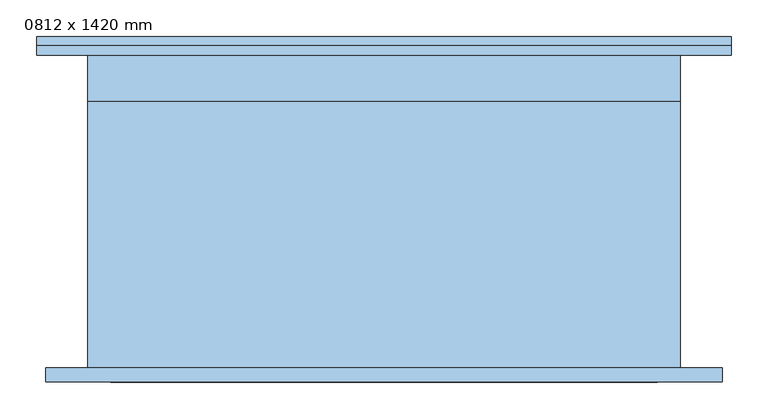
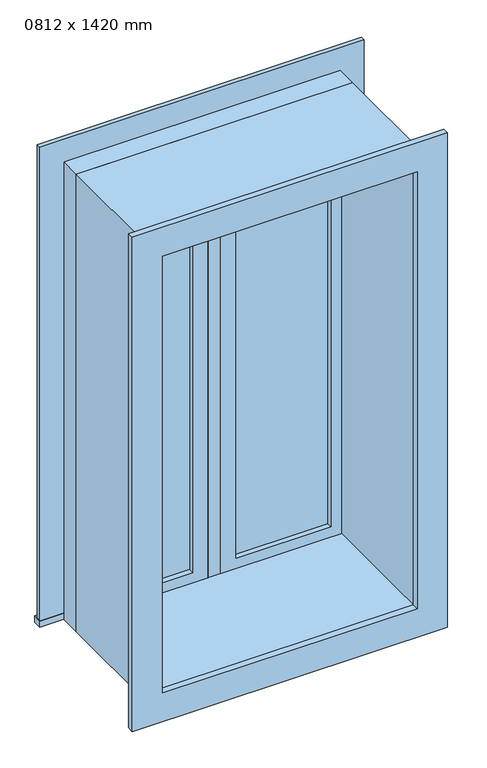
"""IFC4 building model written with IfcOpenShell, lengths in millimetres: window geometry, 0812 x 1420 mm."""

import ifcopenshell
import ifcopenshell.guid

model = None  # the IFC model being written
_history = None  # IfcOwnerHistory: only IFC2X3 demands one
_inside = {}  # id of a spatial element -> (the spatial element, [elements in it])
_under = {}  # id of a project, library or spatial element -> (it, [spatial elements below it])
_declared = {}  # id of a project -> (the project, [libraries it declares])
_typed = {}  # id of a type object -> (the type object, [elements of that type])
_made_of = {}  # id of a material, layer set ... -> (it, [elements and type objects made of it])


def new_model(schema):
    """Start an empty IFC model of exactly this schema.

    Asked for "IFC4X3", IfcOpenShell would pick the latest addendum, in which some entities
    have other attributes; the version numbers below select the first issue.
    IFC2X3 requires an IfcOwnerHistory on every rooted entity: one is made here for all.
    """
    global model, _history
    if schema == "IFC4X3":
        model = ifcopenshell.file(schema_version=(4, 3, 0, 0))
    else:
        model = ifcopenshell.file(schema=schema)
    _inside.clear()
    _under.clear()
    _declared.clear()
    _typed.clear()
    _made_of.clear()
    _history = None
    if model.schema == "IFC2X3":
        org = make("IfcOrganization", Name="unknown")
        user = make(
            "IfcPersonAndOrganization",
            ThePerson=make("IfcPerson", FamilyName="unknown"),
            TheOrganization=org,
        )
        app = make(
            "IfcApplication",
            ApplicationDeveloper=org,
            Version="unknown",
            ApplicationFullName="unknown",
            ApplicationIdentifier="unknown",
        )
        _history = make(
            "IfcOwnerHistory",
            OwningUser=user,
            OwningApplication=app,
            ChangeAction="ADDED",
            CreationDate=0,
        )
    return model


def make(cls, **values):
    """One entity of the class cls with the attributes given. An attribute that is None is left unset."""
    return model.create_entity(
        cls, **{name: value for name, value in values.items() if value is not None}
    )


def rooted(cls, **values):
    """An entity with a GlobalId (a new one), such as an element, a storey or a relation."""
    return make(cls, GlobalId=ifcopenshell.guid.new(), OwnerHistory=_history, **values)


def si_unit(unit_type, name, prefix=None):
    """IfcSIUnit, for example si_unit("LENGTHUNIT", "METRE", prefix="MILLI")."""
    return make("IfcSIUnit", UnitType=unit_type, Prefix=prefix, Name=name)


def assignment(units):
    """IfcUnitAssignment: the units of a project."""
    return None if units is None else make("IfcUnitAssignment", Units=units)


def point(xyz):
    """IfcCartesianPoint."""
    return None if xyz is None else make("IfcCartesianPoint", Coordinates=xyz)


def direction(xyz):
    """IfcDirection."""
    return None if xyz is None else make("IfcDirection", DirectionRatios=xyz)


def frame(location, z_axis=None, x_axis=None):
    """IfcAxis2Placement3D, a coordinate frame: its origin and axes. An axis left out is left unset."""
    return make(
        "IfcAxis2Placement3D",
        Location=point(location),
        Axis=direction(z_axis),
        RefDirection=direction(x_axis),
    )


def origin():
    """The frame at (0, 0, 0) with its axes left unset."""
    return frame((0.0, 0.0, 0.0))


def place(relative_to, where):
    """IfcLocalPlacement: puts the frame where relative to a parent placement (None: the world)."""
    return make(
        "IfcLocalPlacement", PlacementRelTo=relative_to, RelativePlacement=where
    )


def context(
    kind, dimensions, precision=None, world=None, true_north=None, identifier=None
):
    """IfcGeometricRepresentationContext, for example the 3D "Model" context."""
    return make(
        "IfcGeometricRepresentationContext",
        ContextIdentifier=identifier,
        ContextType=kind,
        CoordinateSpaceDimension=dimensions,
        Precision=precision,
        WorldCoordinateSystem=world,
        TrueNorth=true_north,
    )


def project(units=None, contexts=None):
    """IfcProject with its units and contexts."""
    return rooted(
        "IfcProject",
        Name="project",
        RepresentationContexts=contexts,
        UnitsInContext=assignment(units),
    )


def spatial(cls, under=None, at=None, **own):
    """A site, building, storey or space (cls), placed at a placement, below another one or the project."""
    s = rooted(cls, ObjectPlacement=at, **own)
    if under is not None:
        _under.setdefault(under.id(), (under, []))[1].append(s)
    return s


def polyline(points):
    """IfcPolyline through the points."""
    return make("IfcPolyline", Points=[point(p) for p in points])


def outline(outer, holes=None, kind="AREA"):
    """IfcArbitraryClosedProfileDef: a profile drawn as a closed curve; with holes, ...WithVoids."""
    if holes is None:
        return make("IfcArbitraryClosedProfileDef", ProfileType=kind, OuterCurve=outer)
    return make(
        "IfcArbitraryProfileDefWithVoids",
        ProfileType=kind,
        OuterCurve=outer,
        InnerCurves=holes,
    )


def extrude(swept, where, along, depth):
    """IfcExtrudedAreaSolid: the profile swept, set in the frame where, extruded along a direction by depth."""
    return make(
        "IfcExtrudedAreaSolid",
        SweptArea=swept,
        Position=where,
        ExtrudedDirection=direction(along),
        Depth=depth,
    )


def shape(context_of_items, identifier, shape_type, items):
    """IfcShapeRepresentation: the items that make up one representation, for example the "Body"."""
    return make(
        "IfcShapeRepresentation",
        ContextOfItems=context_of_items,
        RepresentationIdentifier=identifier,
        RepresentationType=shape_type,
        Items=items,
    )


def source(mapping_origin, context_of_items, identifier, shape_type, items):
    """IfcRepresentationMap: a shape defined once, which mapped items show again and again."""
    return make(
        "IfcRepresentationMap",
        MappingOrigin=mapping_origin,
        MappedRepresentation=shape(context_of_items, identifier, shape_type, items),
    )


def transform(
    local_origin,
    x_axis=None,
    y_axis=None,
    z_axis=None,
    scale=None,
    scale2=None,
    scale3=None,
    uniform=True,
):
    """IfcCartesianTransformationOperator3D, or its non-uniform kind. x_axis, y_axis, z_axis: its Axis1, 2, 3."""
    if uniform:
        return make(
            "IfcCartesianTransformationOperator3D",
            Axis1=direction(x_axis),
            Axis2=direction(y_axis),
            LocalOrigin=point(local_origin),
            Scale=scale,
            Axis3=direction(z_axis),
        )
    return make(
        "IfcCartesianTransformationOperator3DnonUniform",
        Axis1=direction(x_axis),
        Axis2=direction(y_axis),
        LocalOrigin=point(local_origin),
        Scale=scale,
        Axis3=direction(z_axis),
        Scale2=scale2,
        Scale3=scale3,
    )


def mapped(mapping_source, mapping_target):
    """IfcMappedItem: shows the shape of a source again, moved by a transform."""
    return make(
        "IfcMappedItem", MappingSource=mapping_source, MappingTarget=mapping_target
    )


def made_of(thing, what):
    """Note that an element or type object is made of a material, layer set ...; save() writes the relation."""
    if what is not None:
        _made_of.setdefault(what.id(), (what, []))[1].append(thing)
    return thing


def element(
    cls,
    number,
    at=None,
    inside=None,
    cuts=None,
    type_object=None,
    material=None,
    context=None,
    identifier="Body",
    shape_type=None,
    held_by="IfcProductDefinitionShape",
    body=None,
    shapes=None,
    **own,
):
    """One element of the class cls, such as IfcWall. Its Tag is "e" and its number.

    at: its placement. inside: the storey or other place that contains it. cuts: it is an
    opening in that element (IfcRelVoidsElement). A single representation is given by context,
    identifier, shape_type and body (its items); several are given by shapes. held_by: the class
    of the entity that holds the representations. save() writes the other relations.
    """
    e = rooted(cls, Tag="e%d" % number, ObjectPlacement=at, **own)
    if body is not None:
        shapes = [shape(context, identifier, shape_type, body)]
    if shapes is not None:
        e.Representation = make(held_by, Representations=shapes)
    if inside is not None:
        _inside.setdefault(inside.id(), (inside, []))[1].append(e)
    if cuts is not None:
        rooted(
            "IfcRelVoidsElement", RelatingBuildingElement=cuts, RelatedOpeningElement=e
        )
    if type_object is not None:
        _typed.setdefault(type_object.id(), (type_object, []))[1].append(e)
    return made_of(e, material)


def aggregate(whole, parts):
    """IfcRelAggregates: a whole, such as a stair, and the parts it consists of."""
    return rooted("IfcRelAggregates", RelatingObject=whole, RelatedObjects=parts)


def save(model, path):
    """Write the relations noted so far, then the file.

    IfcRelAggregates (storeys below a building ...), IfcRelContainedInSpatialStructure (elements
    in a storey), IfcRelDefinesByType, IfcRelAssociatesMaterial and IfcRelDeclares: one each for
    every whole, place, type object, material and project.
    """
    for whole, parts in _under.values():
        aggregate(whole, parts)
    for where, things in _inside.values():
        rooted(
            "IfcRelContainedInSpatialStructure",
            RelatedElements=things,
            RelatingStructure=where,
        )
    for kind, things in _typed.values():
        rooted("IfcRelDefinesByType", RelatedObjects=things, RelatingType=kind)
    for what, things in _made_of.values():
        rooted("IfcRelAssociatesMaterial", RelatedObjects=things, RelatingMaterial=what)
    for by, libraries in _declared.values():
        rooted("IfcRelDeclares", RelatingContext=by, RelatedDefinitions=libraries)
    model.write(path)


def window_0812_x_1420_mm_94d78607(model_context):
    return source(origin(), model_context, "Body", "SweptSolid", [
        extrude(outline(polyline([(63.5, 198.675), (342.5, 198.675), (342.5, 185.975), (63.5, 185.975), (63.5, 198.675)])), frame((0.0, 0.0, 978.5), z_axis=(0.0, 0.0, 1.0), x_axis=(1.0, 0.0, 0.0)), (0.0, 0.0, 1.0), 1293.0),
        extrude(outline(polyline([(2315.95, 19.05), (934.05, 19.05), (934.05, 386.95), (2315.95, 386.95), (2315.95, 19.05)]), holes=[polyline([(2271.5, 63.5), (2271.5, 342.5), (978.5, 342.5), (978.5, 63.5), (2271.5, 63.5)])]), frame((0.0, 170.1, 0.0), z_axis=(0.0, 1.0, 0.0), x_axis=(0.0, 0.0, 1.0)), (0.0, 0.0, 1.0), 44.45),
        extrude(outline(polyline([(-475.95, 259.25), (475.95, 259.25), (475.95, 233.55), (-475.95, 233.55), (-475.95, 259.25)])), frame((0.0, 0.0, 915.0), z_axis=(0.0, 0.0, 1.0), x_axis=(1.0, 0.0, 0.0)), (0.0, 0.0, 1.0), 19.05),
        extrude(outline(polyline([(2315.95, -386.95), (2315.95, 386.95), (934.05, 386.95), (934.05, 475.95), (2404.95, 475.95), (2404.95, -475.95), (934.05, -475.95), (934.05, -386.95), (2315.95, -386.95)])), frame((0.0, 233.55, 0.0), z_axis=(0.0, 1.0, 0.0), x_axis=(0.0, 0.0, 1.0)), (0.0, 0.0, 1.0), 13.0),
        extrude(outline(polyline([(2392.25, 463.25), (2392.25, -463.25), (857.75, -463.25), (857.75, 463.25), (2392.25, 463.25)]), holes=[polyline([(2303.25, 374.25), (946.75, 374.25), (946.75, -374.25), (2303.25, -374.25), (2303.25, 374.25)])]), frame((0.0, -214.45, 0.0), z_axis=(0.0, 1.0, 0.0), x_axis=(0.0, 0.0, 1.0)), (0.0, 0.0, 1.0), 19.0),
        extrude(outline(polyline([(-63.5, 185.975), (-342.5, 185.975), (-342.5, 198.675), (-63.5, 198.675), (-63.5, 185.975)])), frame((0.0, 0.0, 978.5), z_axis=(0.0, 0.0, 1.0), x_axis=(1.0, 0.0, 0.0)), (0.0, 0.0, 1.0), 1293.0),
        extrude(outline(polyline([(2315.95, -386.95), (934.05, -386.95), (934.05, -19.05), (2315.95, -19.05), (2315.95, -386.95)]), holes=[polyline([(2271.5, -342.5), (2271.5, -63.5), (978.5, -63.5), (978.5, -342.5), (2271.5, -342.5)])]), frame((0.0, 170.1, 0.0), z_axis=(0.0, 1.0, 0.0), x_axis=(0.0, 0.0, 1.0)), (0.0, 0.0, 1.0), 44.45),
        extrude(outline(polyline([(2335.0, -406.0), (915.0, -406.0), (915.0, 406.0), (2335.0, 406.0), (2335.0, -406.0)]), holes=[polyline([(2303.25, -374.25), (2303.25, 374.25), (946.75, 374.25), (946.75, -374.25), (2303.25, -374.25)])]), frame((0.0, -195.45, 0.0), z_axis=(0.0, 1.0, 0.0), x_axis=(0.0, 0.0, 1.0)), (0.0, 0.0, 1.0), 365.55),
        extrude(outline(polyline([(2335.0, 406.0), (2335.0, -406.0), (915.0, -406.0), (915.0, 406.0), (2335.0, 406.0)]), holes=[polyline([(2315.95, 386.95), (934.05, 386.95), (934.05, -386.95), (2315.95, -386.95), (2315.95, 386.95)])]), frame((0.0, 170.1, 0.0), z_axis=(0.0, 1.0, 0.0), x_axis=(0.0, 0.0, 1.0)), (0.0, 0.0, 1.0), 63.45),
        extrude(outline(polyline([(19.05, 170.1), (-19.05, 170.1), (-19.05, 233.6), (19.05, 233.6), (19.05, 170.1)])), frame((0.0, 0.0, 934.05), z_axis=(0.0, 0.0, 1.0), x_axis=(1.0, 0.0, 0.0)), (0.0, 0.0, 1.0), 1381.9),
    ])


if __name__ == "__main__":
    model = new_model("IFC4")
    model_context = context("Model", 3, world=origin())
    ifc_project = project(units=[si_unit("LENGTHUNIT", "METRE", prefix="MILLI")], contexts=[model_context])
    site = spatial("IfcSite", under=ifc_project)
    building = spatial("IfcBuilding", under=site)
    placement = place(None, origin())
    window_0812_x_1420_mm_shape = window_0812_x_1420_mm_94d78607(model_context)
    element("IfcWindow", 1, ObjectType="0812 x 1420 mm", at=placement, inside=building, context=model_context, shape_type="MappedRepresentation", body=[
        mapped(window_0812_x_1420_mm_shape, transform((0.0, 0.0, 0.0), x_axis=(1.0, 0.0, 0.0), y_axis=(0.0, 1.0, 0.0), z_axis=(0.0, 0.0, 1.0))),
    ])
    save(model, "model.ifc")
